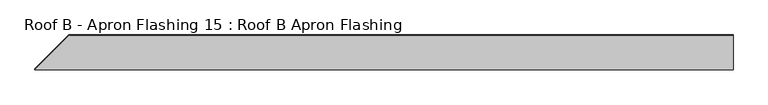
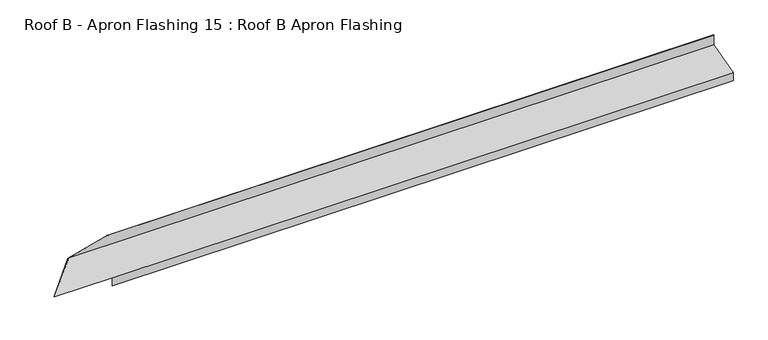
"""IFC4 building model written with IfcOpenShell, lengths in millimetres: proxy geometry, Roof B - Apron Flashing 15 : Roof B Apron Flashing."""

from ifc_helpers import new_model, si_unit, origin, place, context, project, spatial, faceted_brep, source, transform, mapped, element, save


def roof_b_apron_flashing_15_roof_b_apron_flashing_d341f896(model_context):
    return source(origin(), model_context, "Body", "Brep", [
        faceted_brep([(49441.067717, -3520.5020666, 4055.6588838), (49441.067717, -3321.1290846, 4109.0807133), (49441.067717, -3321.1290846, 4171.1338746), (49441.067717, -3322.1290846, 4171.1338746), (49441.067717, -3322.1290846, 4109.8480403), (49441.067717, -3521.5020666, 4056.4262108), (49441.067717, -3521.5020666, 4006.4262108), (49441.067717, -3520.5020666, 4006.4262108), (45766.4226519, -3520.5020666, 4055.6588838), (45769.9866663, -3516.9380522, 4056.6138586), (45424.1895534, -3516.9380522, 4056.6138586), (45619.998521, -3321.1290846, 4109.0807133), (45851.5840717, -3321.1290846, 4171.1338746), (45851.5840717, -3322.1290846, 4171.1338746), (45622.8622243, -3322.1290846, 4109.8480403), (45424.1895534, -3520.8017555, 4056.6138586), (45766.122963, -3520.8017555, 4056.6138586), (45765.4226519, -3521.5020666, 4056.4262108), (45765.4226519, -3521.5020666, 4006.4262108), (45766.4226519, -3520.5020666, 4006.4262108)], [[[0, 1, 2, 3, 4, 5, 6, 7]], [[1, 0, 8, 9, 10, 11]], [[2, 1, 11, 12]], [[3, 2, 12, 13]], [[4, 3, 13, 14]], [[5, 4, 14, 15, 16, 17]], [[6, 5, 17, 18]], [[7, 6, 18, 19]], [[0, 7, 19, 8]], [[9, 16, 15, 10]], [[16, 9, 8, 19, 18, 17]], [[11, 10, 15, 14, 13, 12]]]),
    ])


if __name__ == "__main__":
    model = new_model("IFC4")
    model_context = context("Model", 3, world=origin())
    ifc_project = project(units=[si_unit("LENGTHUNIT", "METRE", prefix="MILLI")], contexts=[model_context])
    site = spatial("IfcSite", under=ifc_project)
    building = spatial("IfcBuilding", under=site)
    placement = place(None, origin())
    roof_b_apron_flashing_15_roof_b_apron_flashing_shape = roof_b_apron_flashing_15_roof_b_apron_flashing_d341f896(model_context)
    element("IfcBuildingElementProxy", 1, Name="Roof B - Apron Flashing 15 : Roof B Apron Flashing", ObjectType="Roof B - Apron Flashing 15 : Roof B Apron Flashing", at=placement, inside=building, context=model_context, shape_type="MappedRepresentation", body=[
        mapped(roof_b_apron_flashing_15_roof_b_apron_flashing_shape, transform((0.0, 0.0, 0.0), x_axis=(1.0, 0.0, 0.0), y_axis=(0.0, 1.0, 0.0), z_axis=(0.0, 0.0, 1.0))),
    ])
    save(model, "model.ifc")
